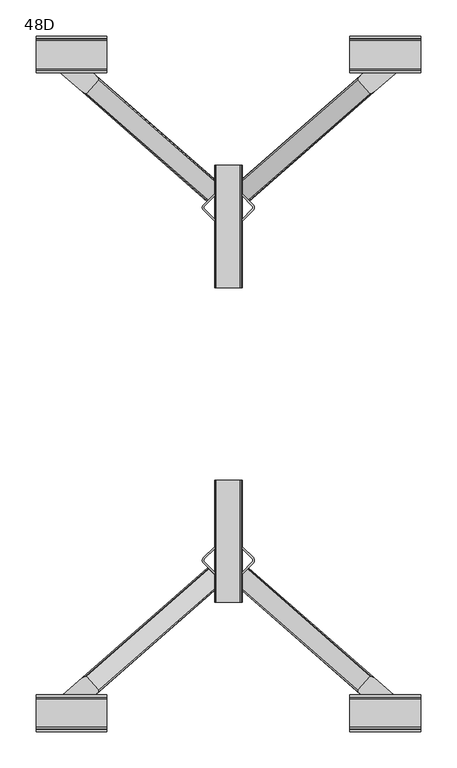
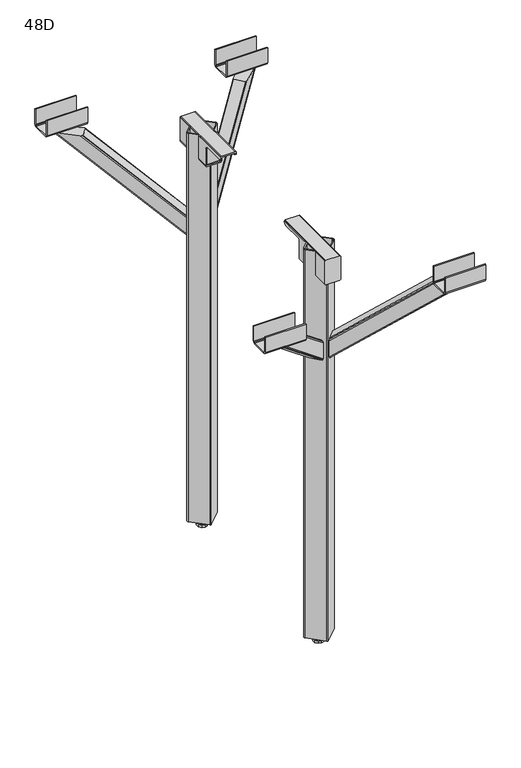
"""IFC4 building model written with IfcOpenShell, lengths in millimetres: furniture geometry, 48D."""

from ifc_helpers import new_model, si_unit, frame, origin, origin_with_axes, place, context, project, spatial, polyline, circle_curve, outline, extrude, faceted_brep, source, transform, mapped, element, save
from ifc_brep_helpers import plane_surface, cylinder_surface, revolved_surface, advanced_brep


def furniture_48d_7e0a60fe(model_context):
    return source(origin(), model_context, "Body", "SolidModel", [
        extrude(outline(polyline([(-431.1706289, 1010.2678722), (-431.1706289, 972.2678661), (-432.9279707, 968.0251745), (-437.170626, 966.2678689), (-476.2018676, 966.2678689), (-480.4445229, 968.0251745), (-482.2018648, 972.2678661), (-482.2018648, 1010.2678722), (-479.2018662, 1010.2678722), (-479.2018662, 972.2678661), (-478.3231771, 970.1464839), (-476.2018676, 969.2678312), (-437.170626, 969.2678312), (-435.0493165, 970.1464839), (-434.1706274, 972.2678661), (-434.1706274, 1010.2678722), (-431.1706289, 1010.2678722)])), frame((168.2362421, 0.0, 0.0), z_axis=(1.0, 0.0, 0.0), x_axis=(0.0, 1.0, 0.0)), (0.0, 0.0, 1.0), 98.3000032),
        extrude(outline(polyline([(-431.1706289, 1010.2678722), (-431.1706289, 972.2678661), (-432.9279707, 968.0251745), (-437.170626, 966.2678689), (-476.2018676, 966.2678689), (-480.4445229, 968.0251745), (-482.2018648, 972.2678661), (-482.2018648, 1010.2678722), (-479.2018662, 1010.2678722), (-479.2018662, 972.2678661), (-478.3231771, 970.1464839), (-476.2018676, 969.2678312), (-437.170626, 969.2678312), (-435.0493165, 970.1464839), (-434.1706274, 972.2678661), (-434.1706274, 1010.2678722), (-431.1706289, 1010.2678722)])), frame((-266.5362453, 0.0, 0.0), z_axis=(1.0, 0.0, 0.0), x_axis=(0.0, 1.0, 0.0)), (0.0, 0.0, 1.0), 98.3000032),
        extrude(outline(polyline([(431.1706289, 1010.2678722), (434.1706274, 1010.2678722), (434.1706274, 972.2678661), (435.0493165, 970.1464839), (437.170626, 969.2678312), (476.2018676, 969.2678312), (478.3231771, 970.1464839), (479.2018662, 972.2678661), (479.2018662, 1010.2678722), (482.2018648, 1010.2678722), (482.2018648, 972.2678661), (480.4445229, 968.0251745), (476.2018676, 966.2678689), (437.170626, 966.2678689), (432.9279707, 968.0251745), (431.1706289, 972.2678661), (431.1706289, 1010.2678722)])), frame((168.2362421, 0.0, 0.0), z_axis=(1.0, 0.0, 0.0), x_axis=(0.0, 1.0, 0.0)), (0.0, 0.0, 1.0), 98.3000032),
        extrude(outline(polyline([(431.1706289, 1010.2678722), (434.1706274, 1010.2678722), (434.1706274, 972.2678661), (435.0493165, 970.1464839), (437.170626, 969.2678312), (476.2018676, 969.2678312), (478.3231771, 970.1464839), (479.2018662, 972.2678661), (479.2018662, 1010.2678722), (482.2018648, 1010.2678722), (482.2018648, 972.2678661), (480.4445229, 968.0251745), (476.2018676, 966.2678689), (437.170626, 966.2678689), (432.9279707, 968.0251745), (431.1706289, 972.2678661), (431.1706289, 1010.2678722)])), frame((-266.5362453, 0.0, 0.0), z_axis=(1.0, 0.0, 0.0), x_axis=(0.0, 1.0, 0.0)), (0.0, 0.0, 1.0), 98.3000032),
        faceted_brep([(19.0831021, -133.5750619, 1009.7653592), (19.0831021, -133.5750619, 1008.2653055), (16.5431021, -133.5750619, 1008.2653055), (16.5431021, -133.5750619, 1008.6705113), (15.4882614, -133.5750619, 1009.725352), (-15.4220572, -133.5750619, 1009.725352), (-16.4768979, -133.5750619, 1008.6705113), (-16.4768979, -133.5750619, 1008.2653055), (-19.0168979, -133.5750619, 1008.2653055), (-19.0168979, -133.5750619, 1009.7653592), (-18.2846649, -133.5750619, 1011.5331292), (-16.5168983, -133.5750619, 1012.265352), (16.5831026, -133.5750619, 1012.265352), (18.3508692, -133.5750619, 1011.5331292), (-19.0168979, -302.9640508, 1009.7653592), (-19.0168979, -302.9640508, 951.2652963), (-18.2846649, -302.9640508, 949.4975263), (-16.5168983, -302.9640508, 948.7653035), (16.5831026, -302.9640508, 948.7653035), (18.3508692, -302.9640508, 949.4975263), (19.0831021, -302.9640508, 951.2652963), (19.0831021, -302.9640508, 1009.7653592), (18.3508692, -302.9640508, 1011.5331292), (16.5831026, -302.9640508, 1012.265352), (-16.5168983, -302.9640508, 1012.265352), (-18.2846649, -302.9640508, 1011.5331292), (-19.0168979, -134.37891, 1005.2653432), (-19.0168979, -136.5750604, 1003.0691837), (-19.0168979, -139.575059, 1002.2653083), (-19.0168979, -189.5750503, 1002.2653083), (-19.0168979, -192.575067, 1001.4615056), (-19.0168979, -194.7712084, 999.2653461), (-19.0168979, -195.5750656, 996.2653112), (-19.0168979, -195.5750656, 951.2652963), (-18.2846649, -195.5750656, 949.4975263), (-16.5168983, -195.5750656, 948.7653035), (16.5831026, -195.5750656, 948.7653035), (18.3508692, -195.5750656, 949.4975263), (19.0831021, -195.5750656, 951.2652963), (19.0831021, -195.5750656, 996.2653112), (19.0831021, -194.7712084, 999.2653461), (19.0831021, -192.575067, 1001.4615056), (19.0831021, -189.5750503, 1002.2653083), (19.0831021, -139.575059, 1002.2653083), (19.0831021, -136.5750604, 1003.0691837), (19.0831021, -134.37891, 1005.2653432), (-16.4768979, -199.0841978, 952.3601442), (-16.4768979, -199.0841978, 1008.6705113), (-15.4220572, -199.0841978, 1009.725352), (15.4882614, -199.0841978, 1009.725352), (16.5431021, -199.0841978, 1008.6705113), (16.5431021, -199.0841978, 952.3601442), (15.4882614, -199.0841978, 951.3053035), (-15.4220572, -199.0841978, 951.3053035), (-15.4220572, -195.5750656, 951.3053035), (-16.4768979, -195.5750656, 952.3601442), (15.4882614, -195.5750656, 951.3053035), (16.5431021, -195.5750656, 952.3601442), (16.5431021, -134.37891, 1005.2653432), (16.5431021, -136.5750604, 1003.0691837), (16.5431021, -139.575059, 1002.2653083), (16.5431021, -189.5750503, 1002.2653083), (16.5431021, -192.575067, 1001.4615056), (16.5431021, -194.7712084, 999.2653461), (16.5431021, -195.5750656, 996.2653112), (-16.4768979, -195.5750656, 996.2653112), (-16.4768979, -194.7712084, 999.2653461), (-16.4768979, -192.575067, 1001.4615056), (-16.4768979, -189.5750503, 1002.2653083), (-16.4768979, -139.575059, 1002.2653083), (-16.4768979, -136.5750604, 1003.0691837), (-16.4768979, -134.37891, 1005.2653432)], [[[0, 1, 2, 3, 4, 5, 6, 7, 8, 9, 10, 11, 12, 13]], [[14, 15, 16, 17, 18, 19, 20, 21, 22, 23, 24, 25]], [[14, 9, 8, 26, 27, 28, 29, 30, 31, 32, 33, 15]], [[15, 33, 34, 16]], [[16, 34, 35, 17]], [[17, 35, 36, 18]], [[18, 36, 37, 19]], [[19, 37, 38, 20]], [[20, 38, 39, 40, 41, 42, 43, 44, 45, 1, 0, 21]], [[13, 22, 21, 0]], [[12, 23, 22, 13]], [[11, 24, 23, 12]], [[10, 25, 24, 11]], [[9, 14, 25, 10]], [[46, 47, 48, 49, 50, 51, 52, 53]], [[53, 54, 55, 46]], [[52, 56, 54, 53]], [[51, 57, 56, 52]], [[50, 3, 2, 58, 59, 60, 61, 62, 63, 64, 57, 51]], [[49, 4, 3, 50]], [[48, 5, 4, 49]], [[47, 6, 5, 48]], [[46, 55, 65, 66, 67, 68, 69, 70, 71, 7, 6, 47]], [[39, 38, 37, 36, 35, 34, 33, 32, 65, 55, 54, 56, 57, 64]], [[32, 31, 66, 65]], [[64, 63, 40, 39]], [[31, 30, 67, 66]], [[63, 62, 41, 40]], [[30, 29, 68, 67]], [[62, 61, 42, 41]], [[29, 28, 69, 68]], [[61, 60, 43, 42]], [[28, 27, 70, 69]], [[60, 59, 44, 43]], [[27, 26, 71, 70]], [[59, 58, 45, 44]], [[26, 8, 7, 71]], [[58, 2, 1, 45]]]),
        faceted_brep([(19.0831021, 133.5750619, 1009.7653592), (18.3508692, 133.5750619, 1011.5331292), (16.5831026, 133.5750619, 1012.265352), (-16.5168983, 133.5750619, 1012.265352), (-18.2846649, 133.5750619, 1011.5331292), (-19.0168979, 133.5750619, 1009.7653592), (-19.0168979, 133.5750619, 1008.2653055), (-16.4768979, 133.5750619, 1008.2653055), (-16.4768979, 133.5750619, 1008.6705113), (-15.4220572, 133.5750619, 1009.725352), (15.4882614, 133.5750619, 1009.725352), (16.5431021, 133.5750619, 1008.6705113), (16.5431021, 133.5750619, 1008.2653055), (19.0831021, 133.5750619, 1008.2653055), (-19.0168979, 302.9640508, 1009.7653592), (-18.2846649, 302.9640508, 1011.5331292), (-16.5168983, 302.9640508, 1012.265352), (16.5831026, 302.9640508, 1012.265352), (18.3508692, 302.9640508, 1011.5331292), (19.0831021, 302.9640508, 1009.7653592), (19.0831021, 302.9640508, 951.2652963), (18.3508692, 302.9640508, 949.4975263), (16.5831026, 302.9640508, 948.7653035), (-16.5168983, 302.9640508, 948.7653035), (-18.2846649, 302.9640508, 949.4975263), (-19.0168979, 302.9640508, 951.2652963), (-19.0168979, 195.5750656, 951.2652963), (-19.0168979, 195.5750656, 996.2653112), (-19.0168979, 194.7712084, 999.2653461), (-19.0168979, 192.575067, 1001.4615056), (-19.0168979, 189.5750503, 1002.2653083), (-19.0168979, 139.575059, 1002.2653083), (-19.0168979, 136.5750604, 1003.0691837), (-19.0168979, 134.37891, 1005.2653432), (-18.2846649, 195.5750656, 949.4975263), (-16.5168983, 195.5750656, 948.7653035), (16.5831026, 195.5750656, 948.7653035), (18.3508692, 195.5750656, 949.4975263), (19.0831021, 195.5750656, 951.2652963), (19.0831021, 134.37891, 1005.2653432), (19.0831021, 136.5750604, 1003.0691837), (19.0831021, 139.575059, 1002.2653083), (19.0831021, 189.5750503, 1002.2653083), (19.0831021, 192.575067, 1001.4615056), (19.0831021, 194.7712084, 999.2653461), (19.0831021, 195.5750656, 996.2653112), (-16.4768979, 199.0841978, 952.3601442), (-15.4220572, 199.0841978, 951.3053035), (15.4882614, 199.0841978, 951.3053035), (16.5431021, 199.0841978, 952.3601442), (16.5431021, 199.0841978, 1008.6705113), (15.4882614, 199.0841978, 1009.725352), (-15.4220572, 199.0841978, 1009.725352), (-16.4768979, 199.0841978, 1008.6705113), (-16.4768979, 195.5750656, 952.3601442), (-15.4220572, 195.5750656, 951.3053035), (15.4882614, 195.5750656, 951.3053035), (16.5431021, 195.5750656, 952.3601442), (16.5431021, 195.5750656, 996.2653112), (16.5431021, 194.7712084, 999.2653461), (16.5431021, 192.575067, 1001.4615056), (16.5431021, 189.5750503, 1002.2653083), (16.5431021, 139.575059, 1002.2653083), (16.5431021, 136.5750604, 1003.0691837), (16.5431021, 134.37891, 1005.2653432), (-16.4768979, 134.37891, 1005.2653432), (-16.4768979, 136.5750604, 1003.0691837), (-16.4768979, 139.575059, 1002.2653083), (-16.4768979, 189.5750503, 1002.2653083), (-16.4768979, 192.575067, 1001.4615056), (-16.4768979, 194.7712084, 999.2653461), (-16.4768979, 195.5750656, 996.2653112)], [[[0, 1, 2, 3, 4, 5, 6, 7, 8, 9, 10, 11, 12, 13]], [[14, 15, 16, 17, 18, 19, 20, 21, 22, 23, 24, 25]], [[14, 25, 26, 27, 28, 29, 30, 31, 32, 33, 6, 5]], [[25, 24, 34, 26]], [[24, 23, 35, 34]], [[23, 22, 36, 35]], [[22, 21, 37, 36]], [[21, 20, 38, 37]], [[20, 19, 0, 13, 39, 40, 41, 42, 43, 44, 45, 38]], [[1, 0, 19, 18]], [[2, 1, 18, 17]], [[3, 2, 17, 16]], [[4, 3, 16, 15]], [[5, 4, 15, 14]], [[46, 47, 48, 49, 50, 51, 52, 53]], [[47, 46, 54, 55]], [[48, 47, 55, 56]], [[49, 48, 56, 57]], [[50, 49, 57, 58, 59, 60, 61, 62, 63, 64, 12, 11]], [[51, 50, 11, 10]], [[52, 51, 10, 9]], [[53, 52, 9, 8]], [[46, 53, 8, 7, 65, 66, 67, 68, 69, 70, 71, 54]], [[45, 58, 57, 56, 55, 54, 71, 27, 26, 34, 35, 36, 37, 38]], [[58, 45, 44, 59]], [[27, 71, 70, 28]], [[59, 44, 43, 60]], [[28, 70, 69, 29]], [[60, 43, 42, 61]], [[29, 69, 68, 30]], [[61, 42, 41, 62]], [[30, 68, 67, 31]], [[62, 41, 40, 63]], [[31, 67, 66, 32]], [[63, 40, 39, 64]], [[32, 66, 65, 33]], [[64, 39, 13, 12]], [[33, 65, 7, 6]]]),
        advanced_brep(
        [(33.2839274, -246.6453714, 1012.2712383), (19.05, -260.8792988, 1012.2712383), (19.05, -263.7077259, 1012.2712383), (34.8785737, -247.8791523, 1012.2712383), (34.8785737, -241.2687672, 1012.2712383), (19.05, -225.4401936, 1012.2712383), (19.05, -228.2686207, 1012.2712383), (33.2839274, -242.5025481, 1012.2712383), (-33.2839274, -242.5025481, 1012.2712383), (-19.05, -228.2686207, 1012.2712383), (-19.05, -225.4401936, 1012.2712383), (-34.8785737, -241.2687672, 1012.2712383), (-34.8785737, -247.8791523, 1012.2712383), (-19.05, -263.7077259, 1012.2712383), (-19.05, -260.8792988, 1012.2712383), (-33.2839274, -246.6453714, 1012.2712383), (-34.8785737, -247.8791523, 20.2920982), (-34.8785737, -241.2687672, 20.2920982), (-1.9091883, -208.2993819, 20.2920982), (1.9091883, -208.2993819, 20.2920982), (34.8785737, -241.2687672, 20.2920982), (34.8785737, -247.8791523, 20.2920982), (1.9091883, -280.8485376, 20.2920982), (-1.9091883, -280.8485376, 20.2920982), (-33.2839274, -246.6453714, 20.2920982), (-0.7071068, -279.222192, 20.2920982), (0.7071068, -279.222192, 20.2920982), (33.2839274, -246.6453714, 20.2920982), (33.2839274, -242.5025481, 20.2920982), (0.7071068, -209.9257275, 20.2920982), (-0.7071068, -209.9257275, 20.2920982), (-33.2839274, -242.5025481, 20.2920982), (19.05, -263.7077259, 951.7712247), (1.9091883, -280.8485376, 951.7712247), (-1.9091883, -280.8485376, 951.7712247), (-19.05, -263.7077259, 951.7712247), (-19.05, -260.8792988, 951.7712247), (-0.7071068, -279.222192, 951.7712247), (0.7071068, -279.222192, 951.7712247), (19.05, -260.8792988, 951.7712247), (-19.05, -225.4401936, 951.7712247), (-1.9091883, -208.2993819, 951.7712247), (1.9091883, -208.2993819, 951.7712247), (19.05, -225.4401936, 951.7712247), (19.05, -228.2686207, 951.7712247), (0.7071068, -209.9257275, 951.7712247), (-0.7071068, -209.9257275, 951.7712247), (-19.05, -228.2686207, 951.7712247)],
        [
            (0, 1),
            (1, 2),
            (2, 3),
            (3, 4, circle_curve(frame((31.2125158, -244.5739598, 1012.2712383), z_axis=(0.0, 0.0, 1.0), x_axis=(-1.0, 0.0, 0.0)), 4.9360184)),
            (4, 5),
            (5, 6),
            (6, 7),
            (7, 0, circle_curve(frame((31.2125158, -244.5739598, 1012.2712383), z_axis=(0.0, 0.0, -1.0), x_axis=(-1.0, 0.0, 0.0)), 2.9294184)),
            (8, 9),
            (9, 10),
            (10, 11),
            (11, 12, circle_curve(frame((-31.2125158, -244.5739598, 1012.2712383), z_axis=(0.0, 0.0, 1.0), x_axis=(1.0, 0.0, 0.0)), 4.9360184)),
            (12, 13),
            (13, 14),
            (14, 15),
            (15, 8, circle_curve(frame((-31.2125158, -244.5739598, 1012.2712383), z_axis=(0.0, 0.0, -1.0), x_axis=(1.0, 0.0, 0.0)), 2.9294184)),
            (16, 17, circle_curve(frame((-31.2125158, -244.5739598, 20.2920982), z_axis=(0.0, 0.0, -1.0), x_axis=(1.0, 0.0, 0.0)), 4.9360184)),
            (17, 18),
            (18, 19, circle_curve(frame((0.0, -210.2085702, 20.2920982), z_axis=(0.0, 0.0, -1.0), x_axis=(1.0, 0.0, 0.0)), 2.7)),
            (19, 20),
            (20, 21, circle_curve(frame((31.2125158, -244.5739598, 20.2920982), z_axis=(0.0, 0.0, -1.0), x_axis=(-1.0, 0.0, 0.0)), 4.9360184)),
            (21, 22),
            (22, 23, circle_curve(frame((0.0, -278.9393493, 20.2920982), z_axis=(0.0, 0.0, -1.0), x_axis=(1.0, 0.0, 0.0)), 2.7)),
            (23, 16),
            (24, 25),
            (25, 26, circle_curve(frame((0.0, -278.5150853, 20.2920982), z_axis=(0.0, 0.0, 1.0), x_axis=(1.0, 0.0, 0.0)), 1.0)),
            (26, 27),
            (27, 28, circle_curve(frame((31.2125158, -244.5739598, 20.2920982), z_axis=(0.0, 0.0, 1.0), x_axis=(-1.0, 0.0, 0.0)), 2.9294184)),
            (28, 29),
            (29, 30, circle_curve(frame((0.0, -210.6328343, 20.2920982), z_axis=(0.0, 0.0, 1.0), x_axis=(1.0, 0.0, 0.0)), 1.0)),
            (30, 31),
            (31, 24, circle_curve(frame((-31.2125158, -244.5739598, 20.2920982), z_axis=(0.0, 0.0, 1.0), x_axis=(1.0, 0.0, 0.0)), 2.9294184)),
            (21, 3),
            (2, 32),
            (32, 33),
            (33, 22),
            (33, 34, circle_curve(frame((0.0, -278.9393493, 951.7712247), z_axis=(0.0, 0.0, -1.0), x_axis=(1.0, 0.0, 0.0)), 2.7)),
            (34, 23),
            (34, 35),
            (35, 13),
            (12, 16),
            (24, 15),
            (14, 36),
            (36, 37),
            (37, 25),
            (37, 38, circle_curve(frame((0.0, -278.5150853, 951.7712247), z_axis=(0.0, 0.0, 1.0), x_axis=(1.0, 0.0, 0.0)), 1.0)),
            (38, 26),
            (38, 39),
            (39, 1),
            (0, 27),
            (32, 39),
            (36, 35),
            (11, 17),
            (10, 40),
            (40, 41),
            (41, 18),
            (41, 42, circle_curve(frame((0.0, -210.2085702, 951.7712247), z_axis=(0.0, 0.0, -1.0), x_axis=(1.0, 0.0, 0.0)), 2.7)),
            (42, 19),
            (42, 43),
            (43, 5),
            (4, 20),
            (7, 28),
            (6, 44),
            (44, 45),
            (45, 29),
            (45, 46, circle_curve(frame((0.0, -210.6328343, 951.7712247), z_axis=(0.0, 0.0, 1.0), x_axis=(1.0, 0.0, 0.0)), 1.0)),
            (46, 30),
            (46, 47),
            (47, 9),
            (8, 31),
            (40, 47),
            (44, 43),
        ],
        [
            plane_surface(frame((-26.2764974, -244.5739598, 1012.2712383), z_axis=(0.0, 0.0, 1.0), x_axis=(0.0, -1.0, 0.0))),
            plane_surface(frame((-26.2764974, -244.5739598, 20.2920982), z_axis=(0.0, 0.0, -1.0), x_axis=(0.0, 1.0, 0.0))),
            plane_surface(frame((34.8785737, -247.8791523, 1012.2712383), z_axis=(0.7071067811866082, -0.7071067811864868, 0.0), x_axis=(0.0, 0.0, -1.0))),
            cylinder_surface(frame((0.0, -278.9393493, 20.2920982), z_axis=(0.0, 0.0, 1.0), x_axis=(1.0, 0.0, 0.0)), 2.7),
            plane_surface(frame((-1.9091883, -280.8485376, 1012.2712383), z_axis=(-0.7071067811865935, -0.7071067811865015, 0.0), x_axis=(0.0, 0.0, -1.0))),
            plane_surface(frame((-33.2839274, -246.6453714, 1012.2712383), z_axis=(0.7071067811865583, 0.7071067811865368, 0.0), x_axis=(0.0, 0.0, -1.0))),
            revolved_surface(polyline([(1.0, -278.5150853, 20.2920982), (1.0, -278.5150853, 951.7712247)]), (0.0, -278.5150853, 0.0), (0.0, 0.0, -1.0)),
            plane_surface(frame((0.7071068, -279.222192, 1012.2712383), z_axis=(-0.7071067811863883, 0.7071067811867068, 0.0), x_axis=(0.0, 0.0, -1.0))),
            plane_surface(frame((-19.05, -260.8792988, 951.7712247), z_axis=(0.0, 0.0, 1.0), x_axis=(0.0, -1.0, 0.0))),
            plane_surface(frame((-19.05, -263.7077259, 1012.2712383), z_axis=(1.0, 0.0, 0.0), x_axis=(0.0, 0.0, -1.0))),
            plane_surface(frame((19.05, -260.8792988, 1012.2712383), z_axis=(-1.0, 0.0, 0.0), x_axis=(0.0, 0.0, -1.0))),
            cylinder_surface(frame((-31.2125158, -244.5739598, 20.2920982), z_axis=(0.0, 0.0, 1.0), x_axis=(1.0, 0.0, 0.0)), 4.9360184),
            plane_surface(frame((-34.8785737, -241.2687672, 1012.2712383), z_axis=(-0.7071067811866033, 0.7071067811864917, 0.0), x_axis=(0.0, 0.0, -1.0))),
            cylinder_surface(frame((0.0, -210.2085702, 20.2920982), z_axis=(0.0, 0.0, 1.0), x_axis=(1.0, 0.0, 0.0)), 2.7),
            plane_surface(frame((1.9091883, -208.2993819, 1012.2712383), z_axis=(0.7071067811865984, 0.7071067811864967, 0.0), x_axis=(0.0, 0.0, -1.0))),
            cylinder_surface(frame((31.2125158, -244.5739598, 20.2920982), z_axis=(0.0, 0.0, 1.0), x_axis=(-1.0, 0.0, 0.0)), 4.9360184),
            revolved_surface(polyline([(28.2830974, -244.5739598, 20.2920982), (28.2830974, -244.5739598, 1012.2712383)]), (31.2125158, -244.5739598, 0.0), (0.0, 0.0, -1.0)),
            plane_surface(frame((33.2839274, -242.5025481, 1012.2712383), z_axis=(-0.7071067811865006, -0.7071067811865945, 0.0), x_axis=(0.0, 0.0, -1.0))),
            revolved_surface(polyline([(1.0, -210.6328343, 20.2920982), (1.0, -210.6328343, 951.7712247)]), (0.0, -210.6328343, 0.0), (0.0, 0.0, -1.0)),
            plane_surface(frame((-0.7071068, -209.9257275, 1012.2712383), z_axis=(0.7071067811865425, -0.7071067811865526, 0.0), x_axis=(0.0, 0.0, -1.0))),
            revolved_surface(polyline([(-28.2830974, -244.5739598, 20.2920982), (-28.2830974, -244.5739598, 1012.2712383)]), (-31.2125158, -244.5739598, 0.0), (0.0, 0.0, -1.0)),
            plane_surface(frame((-19.05, -225.4401936, 951.7712247), z_axis=(0.0, 0.0, 1.0), x_axis=(-0.7071067811865437, -0.7071067811865513, 0.0))),
            plane_surface(frame((-19.05, -228.2686207, 1012.2712383), z_axis=(1.0, 0.0, 0.0), x_axis=(0.0, 0.0, -1.0))),
            plane_surface(frame((19.05, -225.4401936, 1012.2712383), z_axis=(-1.0, 0.0, 0.0), x_axis=(0.0, 0.0, -1.0))),
        ],
        [
            (0, [[1, 2, 3, 4, 5, 6, 7, 8]]),
            (0, [[9, 10, 11, 12, 13, 14, 15, 16]]),
            (1, [[17, 18, 19, 20, 21, 22, 23, 24], [25, 26, 27, 28, 29, 30, 31, 32]]),
            (2, [[33, -3, 34, 35, 36, -22]]),
            (3, [[-36, 37, 38, -23]]),
            (4, [[-38, 39, 40, -13, 41, -24]]),
            (5, [[42, -15, 43, 44, 45, -25]]),
            (6, [[-45, 46, 47, -26]]),
            (7, [[-47, 48, 49, -1, 50, -27]]),
            (8, [[-39, -37, -35, 51, -48, -46, -44, 52]]),
            (9, [[-43, -14, -40, -52]]),
            (10, [[-34, -2, -49, -51]]),
            (11, [[53, -17, -41, -12]]),
            (12, [[-53, -11, 54, 55, 56, -18]]),
            (13, [[-56, 57, 58, -19]]),
            (14, [[-58, 59, 60, -5, 61, -20]]),
            (15, [[-33, -21, -61, -4]]),
            (16, [[62, -28, -50, -8]]),
            (17, [[-62, -7, 63, 64, 65, -29]]),
            (18, [[-65, 66, 67, -30]]),
            (19, [[-67, 68, 69, -9, 70, -31]]),
            (20, [[-42, -32, -70, -16]]),
            (21, [[-59, -57, -55, 71, -68, -66, -64, 72]]),
            (22, [[-54, -10, -69, -71]]),
            (23, [[-63, -6, -60, -72]]),
        ],
    ),
        extrude(outline(polyline([(0.0, -247.964128), (-3.4370384, -245.9797561), (-3.4370384, -242.011003), (0.0, -240.0266311), (3.4370384, -242.011003), (3.4370384, -245.9797561), (0.0, -247.964128)])), frame((0.0, 0.0, 10.9000001), z_axis=(0.0, 0.0, 1.0), x_axis=(1.0, 0.0, 0.0)), (0.0, 0.0, 1.0), 62.0000015),
        extrude(outline(polyline([(0.0, -251.9353791), (-6.8762416, -247.9653771), (-6.8762416, -240.0253775), (0.0, -236.05538), (6.8762416, -240.0253775), (6.8762416, -247.9653771), (0.0, -251.9353791)])), frame((0.0, 0.0, 5.7200003), z_axis=(0.0, 0.0, 1.0), x_axis=(1.0, 0.0, 0.0)), (0.0, 0.0, 1.0), 5.1799998),
        extrude(outline(polyline([(-7.2396528, -253.9599058), (-11.7140038, -247.8014881), (-11.7140038, -240.1892665), (-7.2396528, -234.0308533), (0.0, -231.6785487), (7.2396528, -234.0308533), (11.7140038, -240.1892665), (11.7140038, -247.8014881), (7.2396528, -253.9599058), (0.0, -256.3122127), (-7.2396528, -253.9599058)])), origin_with_axes(), (0.0, 0.0, 1.0), 5.7200003),
        advanced_brep(
        [(33.2839274, 246.6453714, 1012.2712383), (33.2839274, 242.5025481, 1012.2712383), (19.05, 228.2686207, 1012.2712383), (19.05, 225.4401936, 1012.2712383), (34.8785737, 241.2687672, 1012.2712383), (34.8785737, 247.8791523, 1012.2712383), (19.05, 263.7077259, 1012.2712383), (19.05, 260.8792988, 1012.2712383), (-33.2839274, 242.5025481, 1012.2712383), (-33.2839274, 246.6453714, 1012.2712383), (-19.05, 260.8792988, 1012.2712383), (-19.05, 263.7077259, 1012.2712383), (-34.8785737, 247.8791523, 1012.2712383), (-34.8785737, 241.2687672, 1012.2712383), (-19.05, 225.4401936, 1012.2712383), (-19.05, 228.2686207, 1012.2712383), (-34.8785737, 247.8791523, 20.2920982), (-1.9091883, 280.8485376, 20.2920982), (1.9091883, 280.8485376, 20.2920982), (34.8785737, 247.8791523, 20.2920982), (34.8785737, 241.2687672, 20.2920982), (1.9091883, 208.2993819, 20.2920982), (-1.9091883, 208.2993819, 20.2920982), (-34.8785737, 241.2687672, 20.2920982), (-33.2839274, 246.6453714, 20.2920982), (-33.2839274, 242.5025481, 20.2920982), (-0.7071068, 209.9257275, 20.2920982), (0.7071068, 209.9257275, 20.2920982), (33.2839274, 242.5025481, 20.2920982), (33.2839274, 246.6453714, 20.2920982), (0.7071068, 279.222192, 20.2920982), (-0.7071068, 279.222192, 20.2920982), (1.9091883, 280.8485376, 951.7712247), (19.05, 263.7077259, 951.7712247), (-1.9091883, 280.8485376, 951.7712247), (-19.05, 263.7077259, 951.7712247), (-0.7071068, 279.222192, 951.7712247), (-19.05, 260.8792988, 951.7712247), (0.7071068, 279.222192, 951.7712247), (19.05, 260.8792988, 951.7712247), (-1.9091883, 208.2993819, 951.7712247), (-19.05, 225.4401936, 951.7712247), (1.9091883, 208.2993819, 951.7712247), (19.05, 225.4401936, 951.7712247), (0.7071068, 209.9257275, 951.7712247), (19.05, 228.2686207, 951.7712247), (-0.7071068, 209.9257275, 951.7712247), (-19.05, 228.2686207, 951.7712247)],
        [
            (0, 1, circle_curve(frame((31.2125158, 244.5739598, 1012.2712383), z_axis=(0.0, 0.0, -1.0), x_axis=(-1.0, 0.0, 0.0)), 2.9294184)),
            (1, 2),
            (2, 3),
            (3, 4),
            (4, 5, circle_curve(frame((31.2125158, 244.5739598, 1012.2712383), z_axis=(0.0, 0.0, 1.0), x_axis=(-1.0, 0.0, 0.0)), 4.9360184)),
            (5, 6),
            (6, 7),
            (7, 0),
            (8, 9, circle_curve(frame((-31.2125158, 244.5739598, 1012.2712383), z_axis=(0.0, 0.0, -1.0), x_axis=(1.0, 0.0, 0.0)), 2.9294184)),
            (9, 10),
            (10, 11),
            (11, 12),
            (12, 13, circle_curve(frame((-31.2125158, 244.5739598, 1012.2712383), z_axis=(0.0, 0.0, 1.0), x_axis=(1.0, 0.0, 0.0)), 4.9360184)),
            (13, 14),
            (14, 15),
            (15, 8),
            (16, 17),
            (17, 18, circle_curve(frame((0.0, 278.9393493, 20.2920982), z_axis=(0.0, 0.0, -1.0), x_axis=(1.0, 0.0, 0.0)), 2.7)),
            (18, 19),
            (19, 20, circle_curve(frame((31.2125158, 244.5739598, 20.2920982), z_axis=(0.0, 0.0, -1.0), x_axis=(-1.0, 0.0, 0.0)), 4.9360184)),
            (20, 21),
            (21, 22, circle_curve(frame((0.0, 210.2085702, 20.2920982), z_axis=(0.0, 0.0, -1.0), x_axis=(1.0, 0.0, 0.0)), 2.7)),
            (22, 23),
            (23, 16, circle_curve(frame((-31.2125158, 244.5739598, 20.2920982), z_axis=(0.0, 0.0, -1.0), x_axis=(1.0, 0.0, 0.0)), 4.9360184)),
            (24, 25, circle_curve(frame((-31.2125158, 244.5739598, 20.2920982), z_axis=(0.0, 0.0, 1.0), x_axis=(1.0, 0.0, 0.0)), 2.9294184)),
            (25, 26),
            (26, 27, circle_curve(frame((0.0, 210.6328343, 20.2920982), z_axis=(0.0, 0.0, 1.0), x_axis=(1.0, 0.0, 0.0)), 1.0)),
            (27, 28),
            (28, 29, circle_curve(frame((31.2125158, 244.5739598, 20.2920982), z_axis=(0.0, 0.0, 1.0), x_axis=(-1.0, 0.0, 0.0)), 2.9294184)),
            (29, 30),
            (30, 31, circle_curve(frame((0.0, 278.5150853, 20.2920982), z_axis=(0.0, 0.0, 1.0), x_axis=(1.0, 0.0, 0.0)), 1.0)),
            (31, 24),
            (18, 32),
            (32, 33),
            (33, 6),
            (5, 19),
            (17, 34),
            (34, 32, circle_curve(frame((0.0, 278.9393493, 951.7712247), z_axis=(0.0, 0.0, -1.0), x_axis=(1.0, 0.0, 0.0)), 2.7)),
            (16, 12),
            (11, 35),
            (35, 34),
            (31, 36),
            (36, 37),
            (37, 10),
            (9, 24),
            (30, 38),
            (38, 36, circle_curve(frame((0.0, 278.5150853, 951.7712247), z_axis=(0.0, 0.0, 1.0), x_axis=(1.0, 0.0, 0.0)), 1.0)),
            (29, 0),
            (7, 39),
            (39, 38),
            (35, 37),
            (39, 33),
            (23, 13),
            (22, 40),
            (40, 41),
            (41, 14),
            (21, 42),
            (42, 40, circle_curve(frame((0.0, 210.2085702, 951.7712247), z_axis=(0.0, 0.0, -1.0), x_axis=(1.0, 0.0, 0.0)), 2.7)),
            (20, 4),
            (3, 43),
            (43, 42),
            (28, 1),
            (27, 44),
            (44, 45),
            (45, 2),
            (26, 46),
            (46, 44, circle_curve(frame((0.0, 210.6328343, 951.7712247), z_axis=(0.0, 0.0, 1.0), x_axis=(1.0, 0.0, 0.0)), 1.0)),
            (25, 8),
            (15, 47),
            (47, 46),
            (43, 45),
            (47, 41),
        ],
        [
            plane_surface(frame((-26.2764974, 244.5739598, 1012.2712383), z_axis=(0.0, 0.0, 1.0), x_axis=(0.0, 1.0, 0.0))),
            plane_surface(frame((-26.2764974, 244.5739598, 20.2920982), z_axis=(0.0, 0.0, -1.0), x_axis=(0.0, -1.0, 0.0))),
            plane_surface(frame((34.8785737, 247.8791523, 1012.2712383), z_axis=(0.7071067811866082, 0.7071067811864868, 0.0), x_axis=(0.0, 0.0, -1.0))),
            cylinder_surface(frame((0.0, 278.9393493, 20.2920982), z_axis=(0.0, 0.0, 1.0), x_axis=(1.0, 0.0, 0.0)), 2.7),
            plane_surface(frame((-1.9091883, 280.8485376, 1012.2712383), z_axis=(-0.7071067811865935, 0.7071067811865015, 0.0), x_axis=(0.0, 0.0, -1.0))),
            plane_surface(frame((-33.2839274, 246.6453714, 1012.2712383), z_axis=(0.7071067811865583, -0.7071067811865368, 0.0), x_axis=(0.0, 0.0, -1.0))),
            revolved_surface(polyline([(1.0, 278.5150853, 20.2920982), (1.0, 278.5150853, 951.7712247)]), (0.0, 278.5150853, 0.0), (0.0, 0.0, -1.0)),
            plane_surface(frame((0.7071068, 279.222192, 1012.2712383), z_axis=(-0.7071067811863883, -0.7071067811867068, 0.0), x_axis=(0.0, 0.0, -1.0))),
            plane_surface(frame((-19.05, 260.8792988, 951.7712247), z_axis=(0.0, 0.0, 1.0), x_axis=(0.0, 1.0, 0.0))),
            plane_surface(frame((-19.05, 263.7077259, 1012.2712383), z_axis=(1.0, 0.0, 0.0), x_axis=(0.0, 0.0, -1.0))),
            plane_surface(frame((19.05, 260.8792988, 1012.2712383), z_axis=(-1.0, 0.0, 0.0), x_axis=(0.0, 0.0, -1.0))),
            cylinder_surface(frame((-31.2125158, 244.5739598, 20.2920982), z_axis=(0.0, 0.0, 1.0), x_axis=(1.0, 0.0, 0.0)), 4.9360184),
            plane_surface(frame((-34.8785737, 241.2687672, 1012.2712383), z_axis=(-0.7071067811866033, -0.7071067811864917, 0.0), x_axis=(0.0, 0.0, -1.0))),
            cylinder_surface(frame((0.0, 210.2085702, 20.2920982), z_axis=(0.0, 0.0, 1.0), x_axis=(1.0, 0.0, 0.0)), 2.7),
            plane_surface(frame((1.9091883, 208.2993819, 1012.2712383), z_axis=(0.7071067811865984, -0.7071067811864967, 0.0), x_axis=(0.0, 0.0, -1.0))),
            cylinder_surface(frame((31.2125158, 244.5739598, 20.2920982), z_axis=(0.0, 0.0, 1.0), x_axis=(-1.0, 0.0, 0.0)), 4.9360184),
            revolved_surface(polyline([(28.2830974, 244.5739598, 20.2920982), (28.2830974, 244.5739598, 1012.2712383)]), (31.2125158, 244.5739598, 0.0), (0.0, 0.0, -1.0)),
            plane_surface(frame((33.2839274, 242.5025481, 1012.2712383), z_axis=(-0.7071067811865006, 0.7071067811865945, 0.0), x_axis=(0.0, 0.0, -1.0))),
            revolved_surface(polyline([(1.0, 210.6328343, 20.2920982), (1.0, 210.6328343, 951.7712247)]), (0.0, 210.6328343, 0.0), (0.0, 0.0, -1.0)),
            plane_surface(frame((-0.7071068, 209.9257275, 1012.2712383), z_axis=(0.7071067811865425, 0.7071067811865526, 0.0), x_axis=(0.0, 0.0, -1.0))),
            revolved_surface(polyline([(-28.2830974, 244.5739598, 20.2920982), (-28.2830974, 244.5739598, 1012.2712383)]), (-31.2125158, 244.5739598, 0.0), (0.0, 0.0, -1.0)),
            plane_surface(frame((-19.05, 225.4401936, 951.7712247), z_axis=(0.0, 0.0, 1.0), x_axis=(-0.7071067811865437, 0.7071067811865513, 0.0))),
            plane_surface(frame((-19.05, 228.2686207, 1012.2712383), z_axis=(1.0, 0.0, 0.0), x_axis=(0.0, 0.0, -1.0))),
            plane_surface(frame((19.05, 225.4401936, 1012.2712383), z_axis=(-1.0, 0.0, 0.0), x_axis=(0.0, 0.0, -1.0))),
        ],
        [
            (0, [[1, 2, 3, 4, 5, 6, 7, 8]]),
            (0, [[9, 10, 11, 12, 13, 14, 15, 16]]),
            (1, [[17, 18, 19, 20, 21, 22, 23, 24], [25, 26, 27, 28, 29, 30, 31, 32]]),
            (2, [[-19, 33, 34, 35, -6, 36]]),
            (3, [[-18, 37, 38, -33]]),
            (4, [[-17, 39, -12, 40, 41, -37]]),
            (5, [[-32, 42, 43, 44, -10, 45]]),
            (6, [[-31, 46, 47, -42]]),
            (7, [[-30, 48, -8, 49, 50, -46]]),
            (8, [[51, -43, -47, -50, 52, -34, -38, -41]]),
            (9, [[-51, -40, -11, -44]]),
            (10, [[-52, -49, -7, -35]]),
            (11, [[-13, -39, -24, 53]]),
            (12, [[-23, 54, 55, 56, -14, -53]]),
            (13, [[-22, 57, 58, -54]]),
            (14, [[-21, 59, -4, 60, 61, -57]]),
            (15, [[-5, -59, -20, -36]]),
            (16, [[-1, -48, -29, 62]]),
            (17, [[-28, 63, 64, 65, -2, -62]]),
            (18, [[-27, 66, 67, -63]]),
            (19, [[-26, 68, -16, 69, 70, -66]]),
            (20, [[-9, -68, -25, -45]]),
            (21, [[71, -64, -67, -70, 72, -55, -58, -61]]),
            (22, [[-72, -69, -15, -56]]),
            (23, [[-71, -60, -3, -65]]),
        ],
    ),
        extrude(outline(polyline([(0.0, 247.964128), (3.4370384, 245.9797561), (3.4370384, 242.011003), (0.0, 240.0266311), (-3.4370384, 242.011003), (-3.4370384, 245.9797561), (0.0, 247.964128)])), frame((0.0, 0.0, 10.9000001), z_axis=(0.0, 0.0, 1.0), x_axis=(1.0, 0.0, 0.0)), (0.0, 0.0, 1.0), 62.0000015),
        extrude(outline(polyline([(0.0, 251.9353791), (6.8762416, 247.9653771), (6.8762416, 240.0253775), (0.0, 236.05538), (-6.8762416, 240.0253775), (-6.8762416, 247.9653771), (0.0, 251.9353791)])), frame((0.0, 0.0, 5.7200003), z_axis=(0.0, 0.0, 1.0), x_axis=(1.0, 0.0, 0.0)), (0.0, 0.0, 1.0), 5.1799998),
        extrude(outline(polyline([(-7.2396528, 253.9599058), (0.0, 256.3122127), (7.2396528, 253.9599058), (11.7140038, 247.8014881), (11.7140038, 240.1892665), (7.2396528, 234.0308533), (0.0, 231.6785487), (-7.2396528, 234.0308533), (-11.7140038, 240.1892665), (-11.7140038, 247.8014881), (-7.2396528, 253.9599058)])), origin_with_axes(), (0.0, 0.0, 1.0), 5.7200003),
        faceted_brep([(-179.6460335, -423.8471891, 966.2678657), (-9.4122966, -274.773967, 787.4334678), (-27.1975203, -257.1177435, 788.8150962), (-196.1160787, -405.0392673, 966.2678693), (-179.9086446, -426.4269143, 966.2678655), (-8.1546955, -276.0224465, 785.8364501), (-182.871542, -429.9948274, 966.2678654), (-7.6337744, -276.5395892, 782.1766197), (-221.5540303, -463.8689698, 966.2678654), (-7.6337786, -276.5395851, 741.5397936), (-225.4817361, -466.3351586, 966.2678655), (-8.1546893, -276.0224527, 737.9608783), (-228.0734612, -466.2549725, 966.2678657), (-9.412288, -274.7739756, 736.5593485), (-244.5435065, -447.4470507, 966.2678693), (-27.1975117, -257.1177521, 737.9409769), (-244.2809683, -444.8674011, 966.2678696), (-28.4551066, -255.8692788, 739.5379114), (-241.3180312, -441.2994533, 966.2678697), (-28.9760276, -255.3521362, 743.1977833), (-202.6355873, -407.4253421, 966.2678697), (-28.9760276, -255.3521362, 783.8345671), (-198.7078768, -404.9591568, 966.2678696), (-28.4551128, -255.8692727, 787.4134831)], [[[0, 1, 2, 3]], [[4, 5, 1, 0]], [[6, 7, 5, 4]], [[8, 9, 7, 6]], [[10, 11, 9, 8]], [[12, 13, 11, 10]], [[14, 15, 13, 12]], [[16, 17, 15, 14]], [[18, 19, 17, 16]], [[20, 21, 19, 18]], [[22, 23, 21, 20]], [[3, 2, 23, 22]], [[3, 22, 20, 18, 16, 14, 12, 10, 8, 6, 4, 0]], [[1, 5, 7, 9, 11, 13, 15, 17, 19, 21, 23, 2]]]),
        faceted_brep([(179.2699059, -423.8295681, 966.2678657), (195.7381043, -405.0200292, 966.2678693), (26.8050224, -257.1150922, 788.8150962), (9.0215324, -274.773062, 787.4334678), (179.5327704, -426.4092676, 966.2678655), (7.7640539, -276.021665, 785.8364501), (182.4960181, -429.9768897, 966.2678654), (7.2431836, -276.5388588, 782.1766197), (221.1818323, -463.8472337, 966.2678654), (7.2431878, -276.5388547, 741.5397936), (225.1097802, -466.3130368, 966.2678655), (7.7640477, -276.0216711, 737.9608783), (227.7014975, -466.2325963, 966.2678657), (9.0215238, -274.7730706, 736.5593485), (244.1696959, -447.4230574, 966.2678693), (26.8050137, -257.1151008, 737.9409769), (243.9069044, -444.8434335, 966.2678696), (28.062486, -255.8665041, 739.5379114), (240.943617, -441.2757767, 966.2678697), (28.5833562, -255.3493103, 743.1977833), (202.2578472, -407.4054639, 966.2678697), (28.5833562, -255.3493103, 783.8345671), (198.3298946, -404.9396642, 966.2678696), (28.0624922, -255.8664979, 787.4134831)], [[[0, 1, 2, 3]], [[4, 0, 3, 5]], [[6, 4, 5, 7]], [[8, 6, 7, 9]], [[10, 8, 9, 11]], [[12, 10, 11, 13]], [[14, 12, 13, 15]], [[16, 14, 15, 17]], [[18, 16, 17, 19]], [[20, 18, 19, 21]], [[22, 20, 21, 23]], [[1, 22, 23, 2]], [[1, 0, 4, 6, 8, 10, 12, 14, 16, 18, 20, 22]], [[3, 2, 23, 21, 19, 17, 15, 13, 11, 9, 7, 5]]]),
        faceted_brep([(-179.6390319, 421.1601967, 966.2678657), (-196.1072304, 402.3506578, 966.2678693), (-27.1741484, 254.4457208, 788.8150962), (-9.3906584, 272.1036906, 787.4334678), (-179.9018964, 423.7398961, 966.2678655), (-8.1331799, 273.3522936, 785.8364501), (-182.8651441, 427.3075183, 966.2678654), (-7.6123096, 273.8694874, 782.1766197), (-221.5509583, 461.1778623, 966.2678654), (-7.6123138, 273.8694833, 741.5397936), (-225.4789062, 463.6436654, 966.2678655), (-8.1331737, 273.3522997, 737.9608783), (-228.0706235, 463.5632248, 966.2678657), (-9.3906498, 272.1036992, 736.5593485), (-244.5388219, 444.753686, 966.2678693), (-27.1741398, 254.4457294, 737.9409769), (-244.2760304, 442.1740621, 966.2678696), (-28.431612, 253.1971327, 739.5379114), (-241.312743, 438.6064053, 966.2678697), (-28.9524823, 252.6799389, 743.1977833), (-202.6269733, 404.7360924, 966.2678697), (-28.9524823, 252.6799389, 783.8345671), (-198.6990206, 402.2702928, 966.2678696), (-28.4316183, 253.1971265, 787.4134831)], [[[0, 1, 2, 3]], [[4, 0, 3, 5]], [[6, 4, 5, 7]], [[8, 6, 7, 9]], [[10, 8, 9, 11]], [[12, 10, 11, 13]], [[14, 12, 13, 15]], [[16, 14, 15, 17]], [[18, 16, 17, 19]], [[20, 18, 19, 21]], [[22, 20, 21, 23]], [[1, 22, 23, 2]], [[1, 0, 4, 6, 8, 10, 12, 14, 16, 18, 20, 22]], [[3, 2, 23, 21, 19, 17, 15, 13, 11, 9, 7, 5]]]),
        faceted_brep([(179.2769074, 421.1778176, 966.2678657), (9.0431706, 272.1045956, 787.4334678), (26.8283943, 254.4483721, 788.8150962), (195.7469527, 402.3698959, 966.2678693), (179.5395186, 423.7575429, 966.2678655), (7.7855695, 273.3530751, 785.8364501), (182.502416, 427.325456, 966.2678654), (7.2646484, 273.8702178, 782.1766197), (221.1849043, 461.1995984, 966.2678654), (7.2646526, 273.8702137, 741.5397936), (225.1126101, 463.6657872, 966.2678655), (7.7855633, 273.3530813, 737.9608783), (227.7043352, 463.5856011, 966.2678657), (9.0431619, 272.1046042, 736.5593485), (244.1743804, 444.7776793, 966.2678693), (26.8283857, 254.4483807, 737.9409769), (243.9118423, 442.1980296, 966.2678696), (28.0859805, 253.1999074, 739.5379114), (240.9489052, 438.6300819, 966.2678697), (28.6069015, 252.6827648, 743.1977833), (202.2664613, 404.7559707, 966.2678697), (28.6069015, 252.6827648, 783.8345671), (198.3387508, 402.2897853, 966.2678696), (28.0859868, 253.1999012, 787.4134831)], [[[0, 1, 2, 3]], [[4, 5, 1, 0]], [[6, 7, 5, 4]], [[8, 9, 7, 6]], [[10, 11, 9, 8]], [[12, 13, 11, 10]], [[14, 15, 13, 12]], [[16, 17, 15, 14]], [[18, 19, 17, 16]], [[20, 21, 19, 18]], [[22, 23, 21, 20]], [[3, 2, 23, 22]], [[3, 22, 20, 18, 16, 14, 12, 10, 8, 6, 4, 0]], [[1, 5, 7, 9, 11, 13, 15, 17, 19, 21, 23, 2]]]),
    ])


if __name__ == "__main__":
    model = new_model("IFC4")
    model_context = context("Model", 3, world=origin())
    ifc_project = project(units=[si_unit("LENGTHUNIT", "METRE", prefix="MILLI")], contexts=[model_context])
    site = spatial("IfcSite", under=ifc_project)
    building = spatial("IfcBuilding", under=site)
    placement = place(None, origin())
    furniture_48d_shape = furniture_48d_7e0a60fe(model_context)
    element("IfcFurniture", 1, ObjectType="48D", at=placement, inside=building, context=model_context, shape_type="MappedRepresentation", body=[
        mapped(furniture_48d_shape, transform((0.0, 0.0, 0.0), x_axis=(1.0, 0.0, 0.0), y_axis=(0.0, 1.0, 0.0), z_axis=(0.0, 0.0, 1.0))),
    ])
    save(model, "model.ifc")
